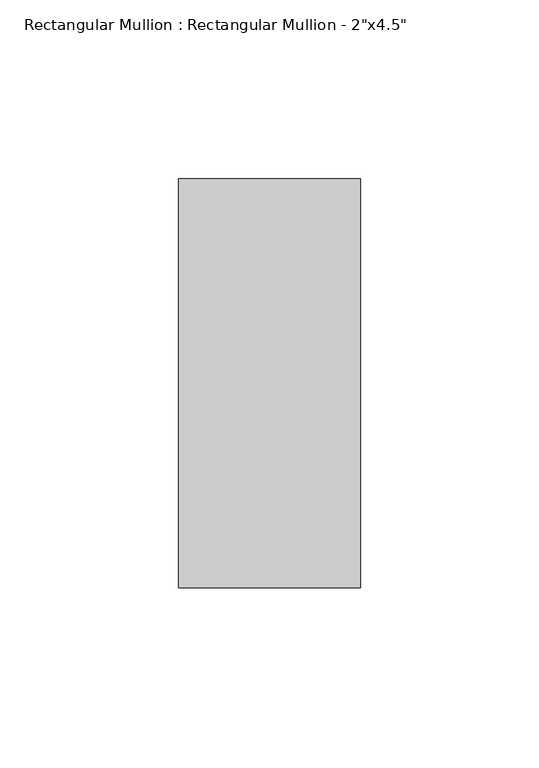
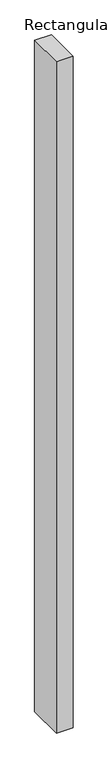
"""IFC4 building model written with IfcOpenShell, lengths in millimetres: member geometry."""

from ifc_helpers import new_model, si_unit, frame, origin, place, context, project, spatial, polyline, outline, extrude, source, transform, mapped, element, save


def member_3d76b122(model_context):
    return source(origin(), model_context, "Body", "SweptSolid", [
        extrude(outline(polyline([(0.0, 57.15), (0.0, -57.15), (-50.8, -57.15), (-50.8, 57.15), (0.0, 57.15)])), frame((0.0, 0.0, -2165.35), z_axis=(0.0, 0.0, 1.0), x_axis=(1.0, 0.0, 0.0)), (0.0, 0.0, 1.0), 2165.35),
    ])


if __name__ == "__main__":
    model = new_model("IFC4")
    model_context = context("Model", 3, world=origin())
    ifc_project = project(units=[si_unit("LENGTHUNIT", "METRE", prefix="MILLI")], contexts=[model_context])
    site = spatial("IfcSite", under=ifc_project)
    building = spatial("IfcBuilding", under=site)
    placement = place(None, origin())
    member_shape = member_3d76b122(model_context)
    element("IfcMember", 1, ObjectType="Rectangular Mullion : Rectangular Mullion - 2\"x4.5\"", at=placement, inside=building, context=model_context, shape_type="MappedRepresentation", body=[
        mapped(member_shape, transform((0.0, 0.0, 0.0), x_axis=(1.0, 0.0, 0.0), y_axis=(0.0, 1.0, 0.0), z_axis=(0.0, 0.0, 1.0))),
    ])
    save(model, "model.ifc")
